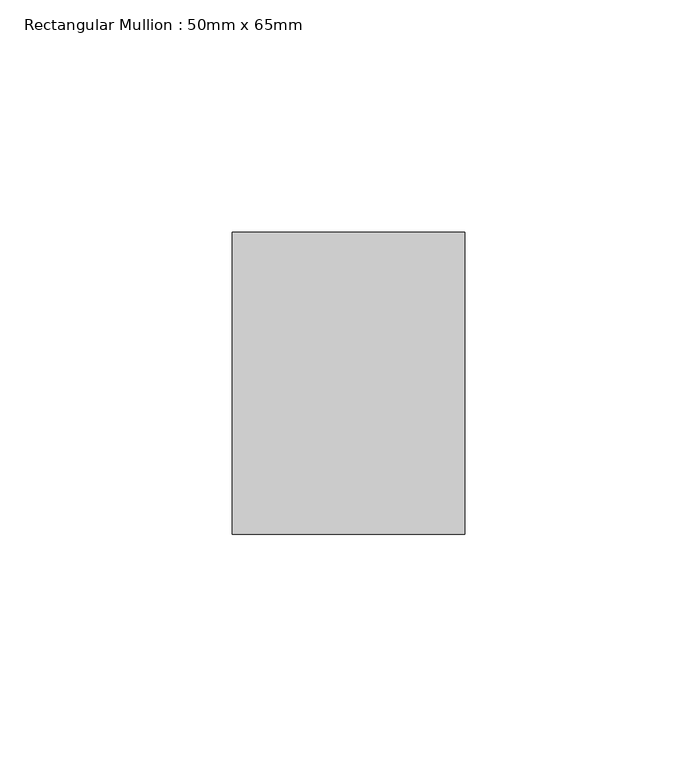
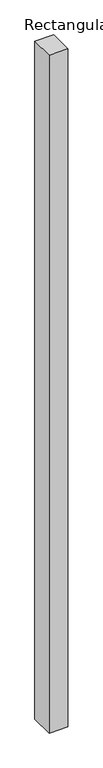
"""IFC4 building model written with IfcOpenShell, lengths in millimetres: member geometry, Rectangular Mullion : 50mm x 65mm."""

from ifc_helpers import new_model, si_unit, frame, origin, place, context, project, spatial, polyline, outline, extrude, source, transform, mapped, element, save


def rectangular_mullion_50mm_x_65mm_b5962e36(model_context):
    return source(origin(), model_context, "Body", "SweptSolid", [
        extrude(outline(polyline([(25.0, 32.5), (25.0, -32.5), (-25.0, -32.5), (-25.0, 32.5), (25.0, 32.5)])), frame((0.0, 0.0, -1897.7014628), z_axis=(0.0, 0.0, 1.0), x_axis=(1.0, 0.0, 0.0)), (0.0, 0.0, 1.0), 1897.7014628),
    ])


if __name__ == "__main__":
    model = new_model("IFC4")
    model_context = context("Model", 3, world=origin())
    ifc_project = project(units=[si_unit("LENGTHUNIT", "METRE", prefix="MILLI")], contexts=[model_context])
    site = spatial("IfcSite", under=ifc_project)
    building = spatial("IfcBuilding", under=site)
    placement = place(None, origin())
    rectangular_mullion_50mm_x_65mm_shape = rectangular_mullion_50mm_x_65mm_b5962e36(model_context)
    element("IfcMember", 1, ObjectType="Rectangular Mullion : 50mm x 65mm", at=placement, inside=building, context=model_context, shape_type="MappedRepresentation", body=[
        mapped(rectangular_mullion_50mm_x_65mm_shape, transform((0.0, 0.0, 0.0), x_axis=(1.0, 0.0, 0.0), y_axis=(0.0, 1.0, 0.0), z_axis=(0.0, 0.0, 1.0))),
    ])
    save(model, "model.ifc")
